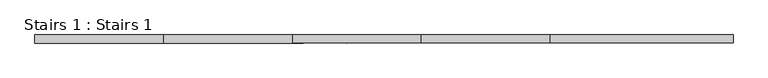
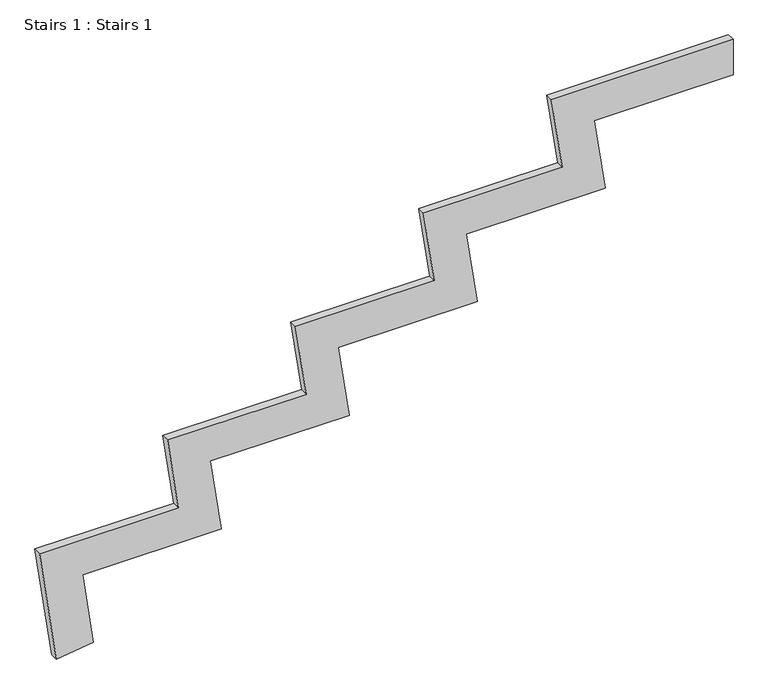
"""IFC4 building model written with IfcOpenShell, lengths in millimetres: stair geometry, Stairs 1 : Stairs 1."""

import ifcopenshell
import ifcopenshell.guid

model = None  # the IFC model being written
_history = None  # IfcOwnerHistory: only IFC2X3 demands one
_inside = {}  # id of a spatial element -> (the spatial element, [elements in it])
_under = {}  # id of a project, library or spatial element -> (it, [spatial elements below it])
_declared = {}  # id of a project -> (the project, [libraries it declares])
_typed = {}  # id of a type object -> (the type object, [elements of that type])
_made_of = {}  # id of a material, layer set ... -> (it, [elements and type objects made of it])


def new_model(schema):
    """Start an empty IFC model of exactly this schema.

    Asked for "IFC4X3", IfcOpenShell would pick the latest addendum, in which some entities
    have other attributes; the version numbers below select the first issue.
    IFC2X3 requires an IfcOwnerHistory on every rooted entity: one is made here for all.
    """
    global model, _history
    if schema == "IFC4X3":
        model = ifcopenshell.file(schema_version=(4, 3, 0, 0))
    else:
        model = ifcopenshell.file(schema=schema)
    _inside.clear()
    _under.clear()
    _declared.clear()
    _typed.clear()
    _made_of.clear()
    _history = None
    if model.schema == "IFC2X3":
        org = make("IfcOrganization", Name="unknown")
        user = make(
            "IfcPersonAndOrganization",
            ThePerson=make("IfcPerson", FamilyName="unknown"),
            TheOrganization=org,
        )
        app = make(
            "IfcApplication",
            ApplicationDeveloper=org,
            Version="unknown",
            ApplicationFullName="unknown",
            ApplicationIdentifier="unknown",
        )
        _history = make(
            "IfcOwnerHistory",
            OwningUser=user,
            OwningApplication=app,
            ChangeAction="ADDED",
            CreationDate=0,
        )
    return model


def make(cls, **values):
    """One entity of the class cls with the attributes given. An attribute that is None is left unset."""
    return model.create_entity(
        cls, **{name: value for name, value in values.items() if value is not None}
    )


def rooted(cls, **values):
    """An entity with a GlobalId (a new one), such as an element, a storey or a relation."""
    return make(cls, GlobalId=ifcopenshell.guid.new(), OwnerHistory=_history, **values)


def si_unit(unit_type, name, prefix=None):
    """IfcSIUnit, for example si_unit("LENGTHUNIT", "METRE", prefix="MILLI")."""
    return make("IfcSIUnit", UnitType=unit_type, Prefix=prefix, Name=name)


def assignment(units):
    """IfcUnitAssignment: the units of a project."""
    return None if units is None else make("IfcUnitAssignment", Units=units)


def point(xyz):
    """IfcCartesianPoint."""
    return None if xyz is None else make("IfcCartesianPoint", Coordinates=xyz)


def direction(xyz):
    """IfcDirection."""
    return None if xyz is None else make("IfcDirection", DirectionRatios=xyz)


def frame(location, z_axis=None, x_axis=None):
    """IfcAxis2Placement3D, a coordinate frame: its origin and axes. An axis left out is left unset."""
    return make(
        "IfcAxis2Placement3D",
        Location=point(location),
        Axis=direction(z_axis),
        RefDirection=direction(x_axis),
    )


def origin():
    """The frame at (0, 0, 0) with its axes left unset."""
    return frame((0.0, 0.0, 0.0))


def place(relative_to, where):
    """IfcLocalPlacement: puts the frame where relative to a parent placement (None: the world)."""
    return make(
        "IfcLocalPlacement", PlacementRelTo=relative_to, RelativePlacement=where
    )


def context(
    kind, dimensions, precision=None, world=None, true_north=None, identifier=None
):
    """IfcGeometricRepresentationContext, for example the 3D "Model" context."""
    return make(
        "IfcGeometricRepresentationContext",
        ContextIdentifier=identifier,
        ContextType=kind,
        CoordinateSpaceDimension=dimensions,
        Precision=precision,
        WorldCoordinateSystem=world,
        TrueNorth=true_north,
    )


def project(units=None, contexts=None):
    """IfcProject with its units and contexts."""
    return rooted(
        "IfcProject",
        Name="project",
        RepresentationContexts=contexts,
        UnitsInContext=assignment(units),
    )


def spatial(cls, under=None, at=None, **own):
    """A site, building, storey or space (cls), placed at a placement, below another one or the project."""
    s = rooted(cls, ObjectPlacement=at, **own)
    if under is not None:
        _under.setdefault(under.id(), (under, []))[1].append(s)
    return s


def polyline(points):
    """IfcPolyline through the points."""
    return make("IfcPolyline", Points=[point(p) for p in points])


def outline(outer, holes=None, kind="AREA"):
    """IfcArbitraryClosedProfileDef: a profile drawn as a closed curve; with holes, ...WithVoids."""
    if holes is None:
        return make("IfcArbitraryClosedProfileDef", ProfileType=kind, OuterCurve=outer)
    return make(
        "IfcArbitraryProfileDefWithVoids",
        ProfileType=kind,
        OuterCurve=outer,
        InnerCurves=holes,
    )


def extrude(swept, where, along, depth):
    """IfcExtrudedAreaSolid: the profile swept, set in the frame where, extruded along a direction by depth."""
    return make(
        "IfcExtrudedAreaSolid",
        SweptArea=swept,
        Position=where,
        ExtrudedDirection=direction(along),
        Depth=depth,
    )


def shape(context_of_items, identifier, shape_type, items):
    """IfcShapeRepresentation: the items that make up one representation, for example the "Body"."""
    return make(
        "IfcShapeRepresentation",
        ContextOfItems=context_of_items,
        RepresentationIdentifier=identifier,
        RepresentationType=shape_type,
        Items=items,
    )


def source(mapping_origin, context_of_items, identifier, shape_type, items):
    """IfcRepresentationMap: a shape defined once, which mapped items show again and again."""
    return make(
        "IfcRepresentationMap",
        MappingOrigin=mapping_origin,
        MappedRepresentation=shape(context_of_items, identifier, shape_type, items),
    )


def transform(
    local_origin,
    x_axis=None,
    y_axis=None,
    z_axis=None,
    scale=None,
    scale2=None,
    scale3=None,
    uniform=True,
):
    """IfcCartesianTransformationOperator3D, or its non-uniform kind. x_axis, y_axis, z_axis: its Axis1, 2, 3."""
    if uniform:
        return make(
            "IfcCartesianTransformationOperator3D",
            Axis1=direction(x_axis),
            Axis2=direction(y_axis),
            LocalOrigin=point(local_origin),
            Scale=scale,
            Axis3=direction(z_axis),
        )
    return make(
        "IfcCartesianTransformationOperator3DnonUniform",
        Axis1=direction(x_axis),
        Axis2=direction(y_axis),
        LocalOrigin=point(local_origin),
        Scale=scale,
        Axis3=direction(z_axis),
        Scale2=scale2,
        Scale3=scale3,
    )


def mapped(mapping_source, mapping_target):
    """IfcMappedItem: shows the shape of a source again, moved by a transform."""
    return make(
        "IfcMappedItem", MappingSource=mapping_source, MappingTarget=mapping_target
    )


def made_of(thing, what):
    """Note that an element or type object is made of a material, layer set ...; save() writes the relation."""
    if what is not None:
        _made_of.setdefault(what.id(), (what, []))[1].append(thing)
    return thing


def element(
    cls,
    number,
    at=None,
    inside=None,
    cuts=None,
    type_object=None,
    material=None,
    context=None,
    identifier="Body",
    shape_type=None,
    held_by="IfcProductDefinitionShape",
    body=None,
    shapes=None,
    **own,
):
    """One element of the class cls, such as IfcWall. Its Tag is "e" and its number.

    at: its placement. inside: the storey or other place that contains it. cuts: it is an
    opening in that element (IfcRelVoidsElement). A single representation is given by context,
    identifier, shape_type and body (its items); several are given by shapes. held_by: the class
    of the entity that holds the representations. save() writes the other relations.
    """
    e = rooted(cls, Tag="e%d" % number, ObjectPlacement=at, **own)
    if body is not None:
        shapes = [shape(context, identifier, shape_type, body)]
    if shapes is not None:
        e.Representation = make(held_by, Representations=shapes)
    if inside is not None:
        _inside.setdefault(inside.id(), (inside, []))[1].append(e)
    if cuts is not None:
        rooted(
            "IfcRelVoidsElement", RelatingBuildingElement=cuts, RelatedOpeningElement=e
        )
    if type_object is not None:
        _typed.setdefault(type_object.id(), (type_object, []))[1].append(e)
    return made_of(e, material)


def aggregate(whole, parts):
    """IfcRelAggregates: a whole, such as a stair, and the parts it consists of."""
    return rooted("IfcRelAggregates", RelatingObject=whole, RelatedObjects=parts)


def save(model, path):
    """Write the relations noted so far, then the file.

    IfcRelAggregates (storeys below a building ...), IfcRelContainedInSpatialStructure (elements
    in a storey), IfcRelDefinesByType, IfcRelAssociatesMaterial and IfcRelDeclares: one each for
    every whole, place, type object, material and project.
    """
    for whole, parts in _under.values():
        aggregate(whole, parts)
    for where, things in _inside.values():
        rooted(
            "IfcRelContainedInSpatialStructure",
            RelatedElements=things,
            RelatingStructure=where,
        )
    for kind, things in _typed.values():
        rooted("IfcRelDefinesByType", RelatedObjects=things, RelatingType=kind)
    for what, things in _made_of.values():
        rooted("IfcRelAssociatesMaterial", RelatedObjects=things, RelatingMaterial=what)
    for by, libraries in _declared.values():
        rooted("IfcRelDeclares", RelatingContext=by, RelatedDefinitions=libraries)
    model.write(path)


def stairs_1_stairs_1_9728a41b(model_context):
    return source(origin(), model_context, "Body", "SweptSolid", [
        extrude(outline(polyline([(-12.4696587, -8856.4951268), (0.0, -8768.4740065), (179.2941176, -8793.8740065), (179.2941176, -8463.6740065), (358.5882353, -8489.0740065), (358.5882353, -8158.8740065), (537.8823529, -8184.2740065), (537.8823529, -7854.0740065), (717.1764706, -7879.4740065), (717.1764706, -7549.2740065), (896.4705882, -7574.6740065), (896.4705882, -7244.4740065), (985.3705882, -7244.4740065), (985.3705882, -7677.0558285), (806.0764706, -7651.6558285), (806.0764706, -7981.8558285), (626.7823529, -7956.4558285), (626.7823529, -8286.6558285), (447.4882353, -8261.2558285), (447.4882353, -8591.4558285), (268.1941176, -8566.0558285), (268.1941176, -8896.2558285), (-12.4696587, -8856.4951268)])), frame((0.0, 1523.7030538, 0.0), z_axis=(0.0, 1.0, 0.0), x_axis=(0.0, 0.0, 1.0)), (0.0, 0.0, 1.0), 19.05),
    ])


if __name__ == "__main__":
    model = new_model("IFC4")
    model_context = context("Model", 3, world=origin())
    ifc_project = project(units=[si_unit("LENGTHUNIT", "METRE", prefix="MILLI")], contexts=[model_context])
    site = spatial("IfcSite", under=ifc_project)
    building = spatial("IfcBuilding", under=site)
    placement = place(None, origin())
    stairs_1_stairs_1_shape = stairs_1_stairs_1_9728a41b(model_context)
    element("IfcStair", 1, ObjectType="Stairs 1 : Stairs 1", at=placement, inside=building, context=model_context, shape_type="MappedRepresentation", body=[
        mapped(stairs_1_stairs_1_shape, transform((0.0, 0.0, 0.0), x_axis=(1.0, 0.0, 0.0), y_axis=(0.0, 1.0, 0.0), z_axis=(0.0, 0.0, 1.0))),
    ])
    save(model, "model.ifc")
